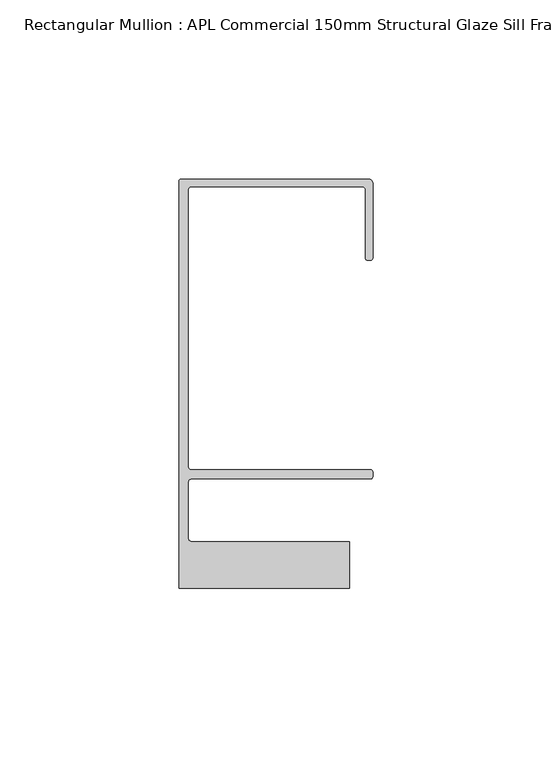
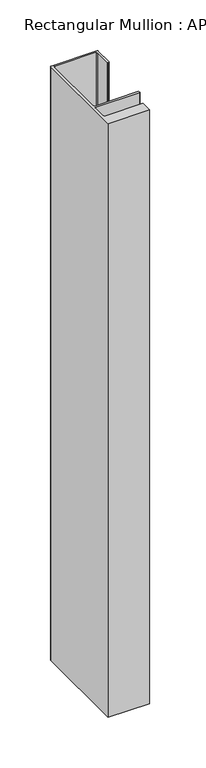
"""IFC4 building model written with IfcOpenShell, lengths in millimetres: member geometry, Rectangular Mullion : APL Commercial 150mm Structural Glaze Sill Frame (Back)."""

from ifc_helpers import new_model, si_unit, frame, origin, place, context, project, spatial, polyline, circle_curve, source, transform, mapped, element, save
from ifc_brep_helpers import plane_surface, cylinder_surface, revolved_surface, advanced_brep


def rectangular_mullion_apl_commercial_150mm_structural_glaze_54be76ff(model_context):
    return source(origin(), model_context, "Body", "AdvancedBrep", [
        advanced_brep(
        [(-53.5000083, 129.0001071, 0.0), (-54.0000083, 128.5001071, 0.0), (-54.0000083, 15.0004332, 0.0), (-6.5000083, 15.0004332, 0.0), (-6.5000083, 28.0004332, 0.0), (-50.500032, 28.0004332, 0.0), (-51.500032, 29.0004332, 0.0), (-51.500032, 44.4999541, 0.0), (-50.500032, 45.4999541, 0.0), (-0.521387, 45.4999541, 0.0), (-5.4e-06, 46.0213357, 0.0), (-5.4e-06, 47.5021598, 0.0), (-0.5000012, 48.000115, 0.0), (-50.482081, 48.000115, 0.0), (-51.5000225, 48.9999541, 0.0), (-51.5000225, 126.00011, 0.0), (-50.5000083, 127.00011, 0.0), (-2.9999982, 127.00011, 0.0), (-1.9999982, 126.0001071, 0.0), (-1.9999982, 107.0001071, 0.0), (-1.4999822, 106.5001071, 0.0), (-0.5, 106.5001071, 0.0), (0.0, 107.0001071, 0.0), (0.0, 128.0001071, 0.0), (-1.0000079, 129.0001071, 0.0), (-53.5000083, 129.0001071, -716.0468124), (-1.0000079, 129.0001071, -716.0468124), (-7.9e-06, 128.0001071, -716.0468124), (0.0, 107.0001071, -716.0468124), (-0.5, 106.5001071, -716.0468124), (-1.4999822, 106.5001071, -716.0468124), (-1.9999822, 107.0001071, -716.0468124), (-1.9999982, 126.0001071, -716.0468124), (-2.9999982, 127.0001071, -716.0468124), (-50.5000083, 127.00011, -716.0468124), (-51.5000083, 126.00011, -716.0468124), (-51.5000225, 48.9999541, -716.0468124), (-50.482081, 48.000115, -716.0468124), (-0.5000012, 48.000115, -716.0468124), (-5.4e-06, 47.5021598, -716.0468124), (-5.4e-06, 46.0213357, -716.0468124), (-0.521387, 45.4999541, -716.0468124), (-50.500032, 45.4999541, -716.0468124), (-51.500032, 44.4999541, -716.0468124), (-51.500032, 29.0004332, -716.0468124), (-50.500032, 28.0004332, -716.0468124), (-6.5000083, 28.0004332, -716.0468124), (-6.5000083, 15.0004332, -716.0468124), (-54.0000083, 15.0004332, -716.0468124), (-54.0000083, 128.5001071, -716.0468124)],
        [
            (0, 1, circle_curve(frame((-53.5000083, 128.5001071, 0.0), z_axis=(0.0, 0.0, 1.0), x_axis=(0.0, 1.0, 0.0)), 0.5)),
            (1, 2),
            (2, 3),
            (3, 4),
            (4, 5),
            (5, 6, circle_curve(frame((-50.500032, 29.0004332, 0.0), z_axis=(0.0, 0.0, -1.0), x_axis=(0.0, -1.0, 0.0)), 1.0)),
            (6, 7),
            (7, 8, circle_curve(frame((-50.500032, 44.4999541, 0.0), z_axis=(0.0, 0.0, -1.0), x_axis=(-0.9999999999998819, 4.863123717036027e-07, 0.0)), 1.0)),
            (8, 9),
            (9, 10, circle_curve(frame((-0.521387, 46.0213357, 0.0), z_axis=(0.0, 0.0, 1.0), x_axis=(-1.0, 0.0, 0.0)), 0.5213816)),
            (10, 11),
            (11, 12, circle_curve(frame((-0.5000012, 47.500115, 0.0), z_axis=(0.0, 0.0, 1.0), x_axis=(0.9999999999999991, -4.5120271963110614e-08, 0.0)), 0.5)),
            (12, 13),
            (13, 14, circle_curve(frame((-50.5000225, 48.9999541, 0.0), z_axis=(0.0, 0.0, -1.0), x_axis=(3.5344775231070867e-06, -0.9999999999937538, 0.0)), 1.0)),
            (14, 15),
            (15, 16, circle_curve(frame((-50.5000083, 126.00011, 0.0), z_axis=(0.0, 0.0, -1.0), x_axis=(-1.0, 3.636202450239078e-12, 0.0)), 1.0)),
            (16, 17),
            (17, 18, circle_curve(frame((-2.9999982, 126.0001071, 0.0), z_axis=(0.0, 0.0, -1.0), x_axis=(0.0, 1.0, 0.0)), 1.0)),
            (18, 19),
            (19, 20, circle_curve(frame((-1.4999822, 107.0001071, 0.0), z_axis=(0.0, 0.0, 1.0), x_axis=(-1.0, -1.039279773351609e-08, 0.0)), 0.5)),
            (20, 21),
            (21, 22, circle_curve(frame((-0.5, 107.0001071, 0.0), z_axis=(0.0, 0.0, 1.0), x_axis=(0.0, -1.0, 0.0)), 0.5)),
            (22, 23),
            (23, 24, circle_curve(frame((-1.0000079, 128.0001071, 0.0), z_axis=(0.0, 0.0, 1.0), x_axis=(0.9999999999996143, 8.78371761103865e-07, 0.0)), 1.0)),
            (24, 0),
            (25, 26),
            (26, 27, circle_curve(frame((-1.0000079, 128.0001071, -716.0468124), z_axis=(0.0, 0.0, -1.0), x_axis=(0.9999999999996143, 8.78371761103865e-07, 0.0)), 1.0)),
            (27, 28),
            (28, 29, circle_curve(frame((-0.5, 107.0001071, -716.0468124), z_axis=(0.0, 0.0, -1.0), x_axis=(0.0, -1.0, 0.0)), 0.5)),
            (29, 30),
            (30, 31, circle_curve(frame((-1.4999822, 107.0001071, -716.0468124), z_axis=(0.0, 0.0, -1.0), x_axis=(-1.0, -1.039279773351609e-08, 0.0)), 0.5)),
            (31, 32),
            (32, 33, circle_curve(frame((-2.9999982, 126.0001071, -716.0468124), z_axis=(0.0, 0.0, 1.0), x_axis=(0.0, 1.0, 0.0)), 1.0)),
            (33, 34),
            (34, 35, circle_curve(frame((-50.5000083, 126.00011, -716.0468124), z_axis=(0.0, 0.0, 1.0), x_axis=(-1.0, 3.636202450239078e-12, 0.0)), 1.0)),
            (35, 36),
            (36, 37, circle_curve(frame((-50.5000225, 48.9999541, -716.0468124), z_axis=(0.0, 0.0, 1.0), x_axis=(3.5344775231070867e-06, -0.9999999999937538, 0.0)), 1.0)),
            (37, 38),
            (38, 39, circle_curve(frame((-0.5000012, 47.500115, -716.0468124), z_axis=(0.0, 0.0, -1.0), x_axis=(0.9999999999999991, -4.5120271963110614e-08, 0.0)), 0.5)),
            (39, 40),
            (40, 41, circle_curve(frame((-0.521387, 46.0213357, -716.0468124), z_axis=(0.0, 0.0, -1.0), x_axis=(-1.0, 0.0, 0.0)), 0.5213816)),
            (41, 42),
            (42, 43, circle_curve(frame((-50.500032, 44.4999541, -716.0468124), z_axis=(0.0, 0.0, 1.0), x_axis=(-0.9999999999998819, 4.863123717036027e-07, 0.0)), 1.0)),
            (43, 44),
            (44, 45, circle_curve(frame((-50.500032, 29.0004332, -716.0468124), z_axis=(0.0, 0.0, 1.0), x_axis=(0.0, -1.0, 0.0)), 1.0)),
            (45, 46),
            (46, 47),
            (47, 48),
            (48, 49),
            (49, 25, circle_curve(frame((-53.5000083, 128.5001071, -716.0468124), z_axis=(0.0, 0.0, -1.0), x_axis=(0.0, 1.0, 0.0)), 0.5)),
            (0, 25),
            (49, 1),
            (48, 2),
            (47, 3),
            (46, 4),
            (45, 5),
            (44, 6),
            (43, 7),
            (42, 8),
            (41, 9),
            (40, 10),
            (39, 11),
            (38, 12),
            (37, 13),
            (36, 14),
            (35, 15),
            (34, 16),
            (33, 17),
            (32, 18),
            (31, 19),
            (30, 20),
            (29, 21),
            (28, 22),
            (27, 23),
            (26, 24),
        ],
        [
            plane_surface(frame((0.0, -139.6548314, 0.0), z_axis=(0.0, 0.0, 1.0), x_axis=(-1.0, 0.0, 0.0))),
            plane_surface(frame((0.0, -139.6548314, -716.0468124), z_axis=(0.0, 0.0, -1.0), x_axis=(-1.0, 0.0, 0.0))),
            cylinder_surface(frame((-53.5000083, 128.5001071, 0.0), z_axis=(0.0, 0.0, 1.0), x_axis=(0.0, 1.0, 0.0)), 0.5),
            plane_surface(frame((-54.0000083, 128.5001071, 0.0), z_axis=(-1.0, 0.0, 0.0), x_axis=(0.0, 0.0, -1.0))),
            plane_surface(frame((-54.0000083, 15.0004332, 0.0), z_axis=(0.0, -1.0, 0.0), x_axis=(0.0, 0.0, -1.0))),
            plane_surface(frame((-6.5000083, 15.0004332, 0.0), z_axis=(1.0, 0.0, 0.0), x_axis=(0.0, 0.0, -1.0))),
            plane_surface(frame((-6.5000083, 28.0004332, 0.0), z_axis=(0.0, 1.0, 0.0), x_axis=(0.0, 0.0, -1.0))),
            revolved_surface(polyline([(-50.500032, 28.0004332, -716.0468124), (-50.500032, 28.0004332, 0.0)]), (-50.500032, 29.0004332, 0.0), (0.0, 0.0, -1.0)),
            plane_surface(frame((-51.500032, 29.0004332, 0.0), z_axis=(1.0, 0.0, 0.0), x_axis=(0.0, 0.0, -1.0))),
            revolved_surface(polyline([(-51.50003199999988, 44.49995458631237, -716.0468124000002), (-51.50003199999988, 44.49995458631237, 0.0)]), (-50.500032, 44.4999541, 0.0), (0.0, 0.0, -1.0000000000000002)),
            plane_surface(frame((-50.500032, 45.4999541, 0.0), z_axis=(0.0, -1.0, 0.0), x_axis=(0.0, 0.0, -1.0))),
            cylinder_surface(frame((-0.521387, 46.0213357, 0.0), z_axis=(0.0, 0.0, 1.0), x_axis=(-1.0, 0.0, 0.0)), 0.5213816),
            plane_surface(frame((-5.4e-06, 46.0213357, 0.0), z_axis=(1.0, 0.0, 0.0), x_axis=(0.0, 0.0, -1.0))),
            cylinder_surface(frame((-0.5000012, 47.500115, 0.0), z_axis=(0.0, 0.0, 1.0000000000000002), x_axis=(0.9999999999999991, -4.5120271963110614e-08, 0.0)), 0.5),
            plane_surface(frame((-0.5000012, 48.000115, 0.0), z_axis=(0.0, 1.0, 0.0), x_axis=(0.0, 0.0, -1.0))),
            revolved_surface(polyline([(-50.50001896552248, 47.99995410000624, -716.0468124), (-50.50001896552248, 47.99995410000624, 0.0)]), (-50.5000225, 48.9999541, 0.0), (0.0, 0.0, -1.0)),
            plane_surface(frame((-51.5000225, 48.9999541, 0.0), z_axis=(1.0, 0.0, 0.0), x_axis=(0.0, 0.0, -1.0))),
            revolved_surface(polyline([(-51.5000083, 126.00011000000364, -716.0468124), (-51.5000083, 126.00011000000364, 0.0)]), (-50.5000083, 126.00011, 0.0), (0.0, 0.0, -1.0)),
            plane_surface(frame((-50.5000083, 127.00011, 0.0), z_axis=(0.0, -1.0, 0.0), x_axis=(0.0, 0.0, -1.0))),
            revolved_surface(polyline([(-2.9999982, 127.0001071, -716.0468124), (-2.9999982, 127.0001071, 0.0)]), (-2.9999982, 126.0001071, 0.0), (0.0, 0.0, -1.0)),
            plane_surface(frame((-1.9999982, 126.0001071, 0.0), z_axis=(-1.0, 0.0, 0.0), x_axis=(0.0, 0.0, -1.0))),
            cylinder_surface(frame((-1.4999822, 107.0001071, 0.0), z_axis=(0.0, 0.0, 1.0), x_axis=(-1.0, -1.039279773351609e-08, 0.0)), 0.5),
            plane_surface(frame((-1.4999822, 106.5001071, 0.0), z_axis=(0.0, -1.0, 0.0), x_axis=(0.0, 0.0, -1.0))),
            cylinder_surface(frame((-0.5, 107.0001071, 0.0), z_axis=(0.0, 0.0, 1.0), x_axis=(0.0, -1.0, 0.0)), 0.5),
            plane_surface(frame((0.0, 107.0001071, 0.0), z_axis=(1.0, 0.0, 0.0), x_axis=(0.0, 0.0, -1.0))),
            cylinder_surface(frame((-1.0000079, 128.0001071, 0.0), z_axis=(0.0, 0.0, 1.0000000000000002), x_axis=(0.9999999999996143, 8.78371761103865e-07, 0.0)), 1.0),
            plane_surface(frame((-1.0000079, 129.0001071, 0.0), z_axis=(0.0, 1.0, 0.0), x_axis=(0.0, 0.0, -1.0))),
        ],
        [
            (0, [[1, 2, 3, 4, 5, 6, 7, 8, 9, 10, 11, 12, 13, 14, 15, 16, 17, 18, 19, 20, 21, 22, 23, 24, 25]]),
            (1, [[26, 27, 28, 29, 30, 31, 32, 33, 34, 35, 36, 37, 38, 39, 40, 41, 42, 43, 44, 45, 46, 47, 48, 49, 50]]),
            (2, [[-1, 51, -50, 52]]),
            (3, [[-2, -52, -49, 53]]),
            (4, [[-3, -53, -48, 54]]),
            (5, [[-4, -54, -47, 55]]),
            (6, [[-5, -55, -46, 56]]),
            (7, [[-6, -56, -45, 57]]),
            (8, [[-7, -57, -44, 58]]),
            (9, [[-8, -58, -43, 59]]),
            (10, [[-9, -59, -42, 60]]),
            (11, [[-10, -60, -41, 61]]),
            (12, [[-11, -61, -40, 62]]),
            (13, [[-12, -62, -39, 63]]),
            (14, [[-13, -63, -38, 64]]),
            (15, [[-14, -64, -37, 65]]),
            (16, [[-15, -65, -36, 66]]),
            (17, [[-16, -66, -35, 67]]),
            (18, [[-17, -67, -34, 68]]),
            (19, [[-18, -68, -33, 69]]),
            (20, [[-19, -69, -32, 70]]),
            (21, [[-20, -70, -31, 71]]),
            (22, [[-21, -71, -30, 72]]),
            (23, [[-22, -72, -29, 73]]),
            (24, [[-23, -73, -28, 74]]),
            (25, [[-24, -74, -27, 75]]),
            (26, [[-25, -75, -26, -51]]),
        ],
    ),
    ])


if __name__ == "__main__":
    model = new_model("IFC4")
    model_context = context("Model", 3, world=origin())
    ifc_project = project(units=[si_unit("LENGTHUNIT", "METRE", prefix="MILLI")], contexts=[model_context])
    site = spatial("IfcSite", under=ifc_project)
    building = spatial("IfcBuilding", under=site)
    placement = place(None, origin())
    rectangular_mullion_apl_commercial_150mm_structural_glaze_shape = rectangular_mullion_apl_commercial_150mm_structural_glaze_54be76ff(model_context)
    element("IfcMember", 1, ObjectType="Rectangular Mullion : APL Commercial 150mm Structural Glaze Sill Frame (Back)", at=placement, inside=building, context=model_context, shape_type="MappedRepresentation", body=[
        mapped(rectangular_mullion_apl_commercial_150mm_structural_glaze_shape, transform((0.0, 0.0, 0.0), x_axis=(1.0, 0.0, 0.0), y_axis=(0.0, 1.0, 0.0), z_axis=(0.0, 0.0, 1.0))),
    ])
    save(model, "model.ifc")
